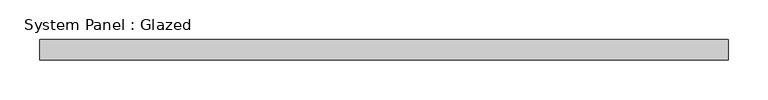
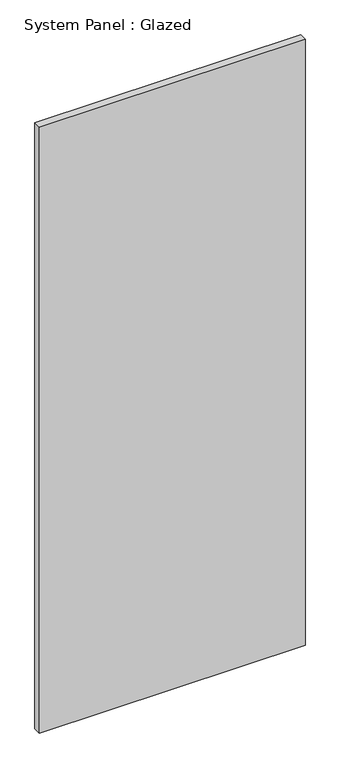
"""IFC4 building model written with IfcOpenShell, lengths in millimetres: plate geometry, System Panel : Glazed."""

from ifc_helpers import new_model, si_unit, origin, origin_with_axes, place, context, project, spatial, polyline, outline, extrude, source, transform, mapped, element, save


def system_panel_glazed_39d7c801(model_context):
    return source(origin(), model_context, "Body", "SweptSolid", [
        extrude(outline(polyline([(430.5834573, 19.05), (-430.5834573, 19.05), (-430.5834573, 44.45), (430.5834573, 44.45), (430.5834573, 19.05)])), origin_with_axes(), (0.0, 0.0, 1.0), 2076.45),
    ])


if __name__ == "__main__":
    model = new_model("IFC4")
    model_context = context("Model", 3, world=origin())
    ifc_project = project(units=[si_unit("LENGTHUNIT", "METRE", prefix="MILLI")], contexts=[model_context])
    site = spatial("IfcSite", under=ifc_project)
    building = spatial("IfcBuilding", under=site)
    placement = place(None, origin())
    system_panel_glazed_shape = system_panel_glazed_39d7c801(model_context)
    element("IfcPlate", 1, ObjectType="System Panel : Glazed", at=placement, inside=building, context=model_context, shape_type="MappedRepresentation", body=[
        mapped(system_panel_glazed_shape, transform((0.0, 0.0, 0.0), x_axis=(1.0, 0.0, 0.0), y_axis=(0.0, 1.0, 0.0), z_axis=(0.0, 0.0, 1.0))),
    ])
    save(model, "model.ifc")
